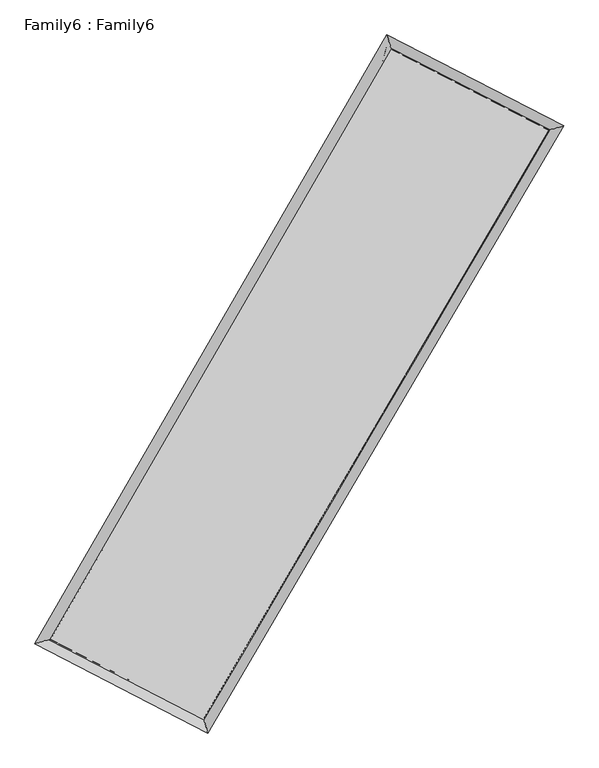
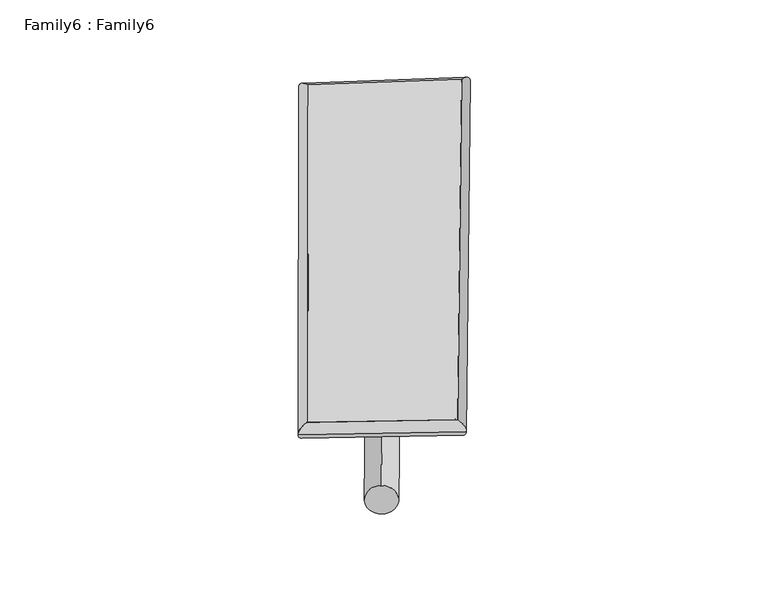
"""IFC4 building model written with IfcOpenShell, lengths in millimetres: plate geometry, Family6 : Family6."""

import ifcopenshell
import ifcopenshell.guid

model = None  # the IFC model being written
_history = None  # IfcOwnerHistory: only IFC2X3 demands one
_inside = {}  # id of a spatial element -> (the spatial element, [elements in it])
_under = {}  # id of a project, library or spatial element -> (it, [spatial elements below it])
_declared = {}  # id of a project -> (the project, [libraries it declares])
_typed = {}  # id of a type object -> (the type object, [elements of that type])
_made_of = {}  # id of a material, layer set ... -> (it, [elements and type objects made of it])


def new_model(schema):
    """Start an empty IFC model of exactly this schema.

    Asked for "IFC4X3", IfcOpenShell would pick the latest addendum, in which some entities
    have other attributes; the version numbers below select the first issue.
    IFC2X3 requires an IfcOwnerHistory on every rooted entity: one is made here for all.
    """
    global model, _history
    if schema == "IFC4X3":
        model = ifcopenshell.file(schema_version=(4, 3, 0, 0))
    else:
        model = ifcopenshell.file(schema=schema)
    _inside.clear()
    _under.clear()
    _declared.clear()
    _typed.clear()
    _made_of.clear()
    _history = None
    if model.schema == "IFC2X3":
        org = make("IfcOrganization", Name="unknown")
        user = make(
            "IfcPersonAndOrganization",
            ThePerson=make("IfcPerson", FamilyName="unknown"),
            TheOrganization=org,
        )
        app = make(
            "IfcApplication",
            ApplicationDeveloper=org,
            Version="unknown",
            ApplicationFullName="unknown",
            ApplicationIdentifier="unknown",
        )
        _history = make(
            "IfcOwnerHistory",
            OwningUser=user,
            OwningApplication=app,
            ChangeAction="ADDED",
            CreationDate=0,
        )
    return model


def make(cls, **values):
    """One entity of the class cls with the attributes given. An attribute that is None is left unset."""
    return model.create_entity(
        cls, **{name: value for name, value in values.items() if value is not None}
    )


def rooted(cls, **values):
    """An entity with a GlobalId (a new one), such as an element, a storey or a relation."""
    return make(cls, GlobalId=ifcopenshell.guid.new(), OwnerHistory=_history, **values)


def si_unit(unit_type, name, prefix=None):
    """IfcSIUnit, for example si_unit("LENGTHUNIT", "METRE", prefix="MILLI")."""
    return make("IfcSIUnit", UnitType=unit_type, Prefix=prefix, Name=name)


def assignment(units):
    """IfcUnitAssignment: the units of a project."""
    return None if units is None else make("IfcUnitAssignment", Units=units)


def point(xyz):
    """IfcCartesianPoint."""
    return None if xyz is None else make("IfcCartesianPoint", Coordinates=xyz)


def direction(xyz):
    """IfcDirection."""
    return None if xyz is None else make("IfcDirection", DirectionRatios=xyz)


def frame(location, z_axis=None, x_axis=None):
    """IfcAxis2Placement3D, a coordinate frame: its origin and axes. An axis left out is left unset."""
    return make(
        "IfcAxis2Placement3D",
        Location=point(location),
        Axis=direction(z_axis),
        RefDirection=direction(x_axis),
    )


def frame_2d(location, x_axis=None):
    """IfcAxis2Placement2D, a coordinate frame in the plane: its origin and x axis."""
    return make(
        "IfcAxis2Placement2D", Location=point(location), RefDirection=direction(x_axis)
    )


def origin():
    """The frame at (0, 0, 0) with its axes left unset."""
    return frame((0.0, 0.0, 0.0))


def origin_2d():
    """The frame at (0, 0) in the plane with its x axis left unset."""
    return frame_2d((0.0, 0.0))


def place(relative_to, where):
    """IfcLocalPlacement: puts the frame where relative to a parent placement (None: the world)."""
    return make(
        "IfcLocalPlacement", PlacementRelTo=relative_to, RelativePlacement=where
    )


def context(
    kind, dimensions, precision=None, world=None, true_north=None, identifier=None
):
    """IfcGeometricRepresentationContext, for example the 3D "Model" context."""
    return make(
        "IfcGeometricRepresentationContext",
        ContextIdentifier=identifier,
        ContextType=kind,
        CoordinateSpaceDimension=dimensions,
        Precision=precision,
        WorldCoordinateSystem=world,
        TrueNorth=true_north,
    )


def project(units=None, contexts=None):
    """IfcProject with its units and contexts."""
    return rooted(
        "IfcProject",
        Name="project",
        RepresentationContexts=contexts,
        UnitsInContext=assignment(units),
    )


def spatial(cls, under=None, at=None, **own):
    """A site, building, storey or space (cls), placed at a placement, below another one or the project."""
    s = rooted(cls, ObjectPlacement=at, **own)
    if under is not None:
        _under.setdefault(under.id(), (under, []))[1].append(s)
    return s


def circle_curve(where, radius):
    """IfcCircle in the frame where."""
    return make("IfcCircle", Position=where, Radius=radius)


def ellipse_curve(where, semi_axis1, semi_axis2):
    """IfcEllipse in the frame where."""
    return make(
        "IfcEllipse", Position=where, SemiAxis1=semi_axis1, SemiAxis2=semi_axis2
    )


def trimmed(basis, trim1, trim2, sense, master):
    """IfcTrimmedCurve: the piece of a basis curve between two trims."""
    return make(
        "IfcTrimmedCurve",
        BasisCurve=basis,
        Trim1=trim1,
        Trim2=trim2,
        SenseAgreement=sense,
        MasterRepresentation=master,
    )


def segment(curve, same_sense, transition):
    """IfcCompositeCurveSegment."""
    return make(
        "IfcCompositeCurveSegment",
        Transition=transition,
        SameSense=same_sense,
        ParentCurve=curve,
    )


def composite_curve(segments, self_intersect=None):
    """IfcCompositeCurve: segments joined end to end."""
    return make("IfcCompositeCurve", Segments=segments, SelfIntersect=self_intersect)


def outline(outer, holes=None, kind="AREA"):
    """IfcArbitraryClosedProfileDef: a profile drawn as a closed curve; with holes, ...WithVoids."""
    if holes is None:
        return make("IfcArbitraryClosedProfileDef", ProfileType=kind, OuterCurve=outer)
    return make(
        "IfcArbitraryProfileDefWithVoids",
        ProfileType=kind,
        OuterCurve=outer,
        InnerCurves=holes,
    )


def extrude(swept, where, along, depth):
    """IfcExtrudedAreaSolid: the profile swept, set in the frame where, extruded along a direction by depth."""
    return make(
        "IfcExtrudedAreaSolid",
        SweptArea=swept,
        Position=where,
        ExtrudedDirection=direction(along),
        Depth=depth,
    )


def shape(context_of_items, identifier, shape_type, items):
    """IfcShapeRepresentation: the items that make up one representation, for example the "Body"."""
    return make(
        "IfcShapeRepresentation",
        ContextOfItems=context_of_items,
        RepresentationIdentifier=identifier,
        RepresentationType=shape_type,
        Items=items,
    )


def source(mapping_origin, context_of_items, identifier, shape_type, items):
    """IfcRepresentationMap: a shape defined once, which mapped items show again and again."""
    return make(
        "IfcRepresentationMap",
        MappingOrigin=mapping_origin,
        MappedRepresentation=shape(context_of_items, identifier, shape_type, items),
    )


def transform(
    local_origin,
    x_axis=None,
    y_axis=None,
    z_axis=None,
    scale=None,
    scale2=None,
    scale3=None,
    uniform=True,
):
    """IfcCartesianTransformationOperator3D, or its non-uniform kind. x_axis, y_axis, z_axis: its Axis1, 2, 3."""
    if uniform:
        return make(
            "IfcCartesianTransformationOperator3D",
            Axis1=direction(x_axis),
            Axis2=direction(y_axis),
            LocalOrigin=point(local_origin),
            Scale=scale,
            Axis3=direction(z_axis),
        )
    return make(
        "IfcCartesianTransformationOperator3DnonUniform",
        Axis1=direction(x_axis),
        Axis2=direction(y_axis),
        LocalOrigin=point(local_origin),
        Scale=scale,
        Axis3=direction(z_axis),
        Scale2=scale2,
        Scale3=scale3,
    )


def mapped(mapping_source, mapping_target):
    """IfcMappedItem: shows the shape of a source again, moved by a transform."""
    return make(
        "IfcMappedItem", MappingSource=mapping_source, MappingTarget=mapping_target
    )


def made_of(thing, what):
    """Note that an element or type object is made of a material, layer set ...; save() writes the relation."""
    if what is not None:
        _made_of.setdefault(what.id(), (what, []))[1].append(thing)
    return thing


def element(
    cls,
    number,
    at=None,
    inside=None,
    cuts=None,
    type_object=None,
    material=None,
    context=None,
    identifier="Body",
    shape_type=None,
    held_by="IfcProductDefinitionShape",
    body=None,
    shapes=None,
    **own,
):
    """One element of the class cls, such as IfcWall. Its Tag is "e" and its number.

    at: its placement. inside: the storey or other place that contains it. cuts: it is an
    opening in that element (IfcRelVoidsElement). A single representation is given by context,
    identifier, shape_type and body (its items); several are given by shapes. held_by: the class
    of the entity that holds the representations. save() writes the other relations.
    """
    e = rooted(cls, Tag="e%d" % number, ObjectPlacement=at, **own)
    if body is not None:
        shapes = [shape(context, identifier, shape_type, body)]
    if shapes is not None:
        e.Representation = make(held_by, Representations=shapes)
    if inside is not None:
        _inside.setdefault(inside.id(), (inside, []))[1].append(e)
    if cuts is not None:
        rooted(
            "IfcRelVoidsElement", RelatingBuildingElement=cuts, RelatedOpeningElement=e
        )
    if type_object is not None:
        _typed.setdefault(type_object.id(), (type_object, []))[1].append(e)
    return made_of(e, material)


def aggregate(whole, parts):
    """IfcRelAggregates: a whole, such as a stair, and the parts it consists of."""
    return rooted("IfcRelAggregates", RelatingObject=whole, RelatedObjects=parts)


def save(model, path):
    """Write the relations noted so far, then the file.

    IfcRelAggregates (storeys below a building ...), IfcRelContainedInSpatialStructure (elements
    in a storey), IfcRelDefinesByType, IfcRelAssociatesMaterial and IfcRelDeclares: one each for
    every whole, place, type object, material and project.
    """
    for whole, parts in _under.values():
        aggregate(whole, parts)
    for where, things in _inside.values():
        rooted(
            "IfcRelContainedInSpatialStructure",
            RelatedElements=things,
            RelatingStructure=where,
        )
    for kind, things in _typed.values():
        rooted("IfcRelDefinesByType", RelatedObjects=things, RelatingType=kind)
    for what, things in _made_of.values():
        rooted("IfcRelAssociatesMaterial", RelatedObjects=things, RelatingMaterial=what)
    for by, libraries in _declared.values():
        rooted("IfcRelDeclares", RelatingContext=by, RelatedDefinitions=libraries)
    model.write(path)


def plane_surface(at):
    """IfcPlane: the flat surface through the origin of the frame at, square to its z axis."""
    return make("IfcPlane", Position=at)


def cylinder_surface(at, radius):
    """IfcCylindricalSurface: all points at the distance radius from the z axis of the frame at."""
    return make("IfcCylindricalSurface", Position=at, Radius=radius)


def spline_surface(u_degree, v_degree, points, u_multiplicities, v_multiplicities, u_knots, v_knots, weights=None):
    """IfcBSplineSurfaceWithKnots; with weights, IfcRationalBSplineSurfaceWithKnots. points: one row for each step in u."""
    own = dict(
        UDegree=u_degree,
        VDegree=v_degree,
        ControlPointsList=[[point(p) for p in row] for row in points],
        SurfaceForm="UNSPECIFIED",
        UClosed=False,
        VClosed=False,
        SelfIntersect=False,
        UMultiplicities=u_multiplicities,
        VMultiplicities=v_multiplicities,
        UKnots=u_knots,
        VKnots=v_knots,
        KnotSpec="UNSPECIFIED",
    )
    if weights is None:
        return make("IfcBSplineSurfaceWithKnots", **own)
    return make("IfcRationalBSplineSurfaceWithKnots", WeightsData=weights, **own)


def advanced_brep(points, edges, surfaces, faces):
    """IfcAdvancedBrep: a solid bounded by faces that lie on surfaces and meet in shared edges.

    An edge is (start, end): straight between two places in points (the first is 0);
    or (start, end, curve); or (start, end, curve, False) where it runs against its curve.
    A face is (place in surfaces, loops), or (place, loops, False) where it looks against
    its surface's normal. A loop lists edges by number (the first is 1), with a minus sign
    where the edge is run from its end to its start. The first loop is the outer one.
    """
    corners = [point(p) for p in points]
    vertices = [make("IfcVertexPoint", VertexGeometry=c) for c in corners]
    made = []
    for start, end, *more in edges:
        made.append(
            make(
                "IfcEdgeCurve",
                EdgeStart=vertices[start],
                EdgeEnd=vertices[end],
                EdgeGeometry=more[0] if more else make("IfcPolyline", Points=[corners[start], corners[end]]),
                SameSense=more[1] if len(more) > 1 else True,
            )
        )
    hull = []
    for where, loops, *sense in faces:
        bounds = []
        for j, loop in enumerate(loops):
            ring = [make("IfcOrientedEdge", EdgeElement=made[abs(k) - 1], Orientation=k > 0) for k in loop]
            bounds.append(
                make(
                    "IfcFaceOuterBound" if j == 0 else "IfcFaceBound",
                    Bound=make("IfcEdgeLoop", EdgeList=ring),
                    Orientation=True,
                )
            )
        hull.append(make("IfcAdvancedFace", Bounds=bounds, FaceSurface=surfaces[where], SameSense=sense[0] if sense else True))
    return make("IfcAdvancedBrep", Outer=make("IfcClosedShell", CfsFaces=hull))


def family6_family6_d279ef26(model_context):
    return source(origin(), model_context, "Body", "SolidModel", [
        extrude(outline(composite_curve([segment(trimmed(circle_curve(origin_2d(), 76.2), [point((-75.4341514, -10.7763074))], [point((75.4341514, 10.7763074))], False, "CARTESIAN"), True, "CONTINUOUS"), segment(trimmed(circle_curve(origin_2d(), 76.2), [point((75.4341514, 10.7763074))], [point((-75.4341514, -10.7763074))], False, "CARTESIAN"), True, "CONTINUOUS")], self_intersect=False)), frame((9144.0, 9144.0, 0.0), z_axis=(0.6768068351328579, 0.6845463218249724, 0.2707929858643794), x_axis=(-0.6765454162998558, 0.7233976741658524, -0.1377755591354652)), (0.0, 0.0, 1.0), 5672.5282372),
        extrude(outline(composite_curve([segment(trimmed(circle_curve(origin_2d(), 76.2), [point((-53.8815367, 53.8815367))], [point((53.8815367, -53.8815367))], False, "CARTESIAN"), True, "CONTINUOUS"), segment(trimmed(circle_curve(origin_2d(), 76.2), [point((53.8815367, -53.8815367))], [point((-53.8815367, 53.8815367))], False, "CARTESIAN"), True, "CONTINUOUS")], self_intersect=False)), frame((9144.0, 9144.0, 0.0), z_axis=(-0.672930450026797, -0.688104211448664, 0.2714354501780212), x_axis=(0.640988757577938, -0.35930209887544573, 0.6782591056538724)), (0.0, 0.0, 1.0), 5659.3679376),
        extrude(outline(composite_curve([segment(trimmed(circle_curve(origin_2d(), 76.2), [point((-53.8815368, -53.8815367))], [point((53.8815368, 53.8815367))], False, "CARTESIAN"), True, "CONTINUOUS"), segment(trimmed(circle_curve(origin_2d(), 76.2), [point((53.8815368, 53.8815367))], [point((-53.8815368, -53.8815367))], False, "CARTESIAN"), True, "CONTINUOUS")], self_intersect=False)), frame((9144.0, 9144.0, 0.0), z_axis=(0.25522785574882606, 0.9275744744683375, 0.27288154200063464), x_axis=(-0.8434281882637659, 0.3515813670350559, -0.40622584063038497)), (0.0, 0.0, 1.0), 5531.7302917),
        extrude(outline(composite_curve([segment(trimmed(circle_curve(origin_2d(), 76.2), [point((-75.4341514, 10.7763074))], [point((75.4341514, -10.7763074))], False, "CARTESIAN"), True, "CONTINUOUS"), segment(trimmed(circle_curve(origin_2d(), 76.2), [point((75.4341514, -10.7763074))], [point((-75.4341514, 10.7763074))], False, "CARTESIAN"), True, "CONTINUOUS")], self_intersect=False)), frame((9144.0, 9144.0, 0.0), z_axis=(-0.2606199462112304, -0.9260410780837496, 0.27299297671980904), x_axis=(0.8826917001135453, -0.11401926551267179, 0.45591114226635215)), (0.0, 0.0, 1.0), 5528.0587034),
        advanced_brep(
        [(5123.7814338, 5187.8325756, 1534.2605287), (5123.7613817, 5187.8009723, 1538.7579274), (5547.49654, 5311.6976004, 1538.0456391), (10615.1438494, 14073.2511188, 1512.1784), (10496.5594724, 14476.9325176, 1506.8357839), (5547.5165921, 5311.7292037, 1533.5482403), (12770.2431198, 12965.24296, 1535.7716213), (13196.1686471, 13088.9737204, 1536.3900962), (7644.9386899, 4226.5599588, 1509.6014828), (7761.6165862, 3823.0211583, 1508.6409191)],
        [
            (0, 1, ellipse_curve(frame((5335.6389869, 5249.765088, 1536.1530839), z_axis=(-0.28062850251993654, 0.9598007433978392, 0.005493318338970345), x_axis=(-0.9597647568423242, -0.28066819533855103, 0.008773576739004488)), 220.7689891, 152.4)),
            (1, 2, ellipse_curve(frame((5335.6389869, 5249.765088, 1536.1530839), z_axis=(-0.28062850251993654, 0.9598007433978392, 0.005493318338970345), x_axis=(-0.9597647568423242, -0.28066819533855103, 0.008773576739004488)), 220.7689891, 152.4)),
            (2, 3),
            (3, 4, ellipse_curve(frame((10555.8516609, 14275.0918182, 1509.5070919), z_axis=(-0.9594295052852507, -0.28190505862474213, -0.004956037719760427), x_axis=(0.28185492968330567, -0.959415619142629, 0.008914502699782188)), 210.3875975, 152.4)),
            (4, 0),
            (2, 5, ellipse_curve(frame((5335.6389869, 5249.765088, 1536.1530839), z_axis=(-0.28062850251993654, 0.9598007433978392, 0.005493318338970345), x_axis=(-0.9597647568423242, -0.28066819533855103, 0.008773576739004488)), 220.7689891, 152.4)),
            (5, 0, ellipse_curve(frame((5335.6389869, 5249.765088, 1536.1530839), z_axis=(-0.28062850251993654, 0.9598007433978392, 0.005493318338970345), x_axis=(-0.9597647568423242, -0.28066819533855103, 0.008773576739004488)), 220.7689891, 152.4)),
            (4, 3, ellipse_curve(frame((10555.8516609, 14275.0918182, 1509.5070919), z_axis=(-0.9594295052852507, -0.28190505862474213, -0.004956037719760427), x_axis=(0.28185492968330567, -0.959415619142629, 0.008914502699782188)), 210.3875975, 152.4)),
            (3, 6),
            (6, 7, ellipse_curve(frame((12983.2058834, 13027.1083402, 1536.0808587), z_axis=(-0.2789553177863782, 0.9602899807390433, -0.005204187824112773), x_axis=(-0.9602561586505869, -0.2789914412629268, -0.008478530276735844)), 221.773123, 152.4)),
            (7, 4),
            (7, 6, ellipse_curve(frame((12983.2058834, 13027.1083402, 1536.0808587), z_axis=(-0.2789553177863782, 0.9602899807390433, -0.005204187824112773), x_axis=(-0.9602561586505869, -0.2789914412629268, -0.008478530276735844)), 221.773123, 152.4)),
            (6, 8),
            (8, 9, ellipse_curve(frame((7703.2776381, 4024.7905585, 1509.1212009), z_axis=(0.9606343377970638, 0.2777670834795057, -0.0052073390984070265), x_axis=(-0.27771273376531946, 0.9606196830575425, 0.00924456743278236)), 210.0392237, 152.4)),
            (9, 7),
            (9, 8, ellipse_curve(frame((7703.2776381, 4024.7905585, 1509.1212009), z_axis=(0.9606343377970638, 0.2777670834795057, -0.0052073390984070265), x_axis=(-0.27771273376531946, 0.9606196830575425, 0.00924456743278236)), 210.0392237, 152.4)),
            (8, 5),
            (1, 9),
        ],
        [
            cylinder_surface(frame((5335.6389869, 5249.765088, 1536.1530839), z_axis=(-0.5006771109938477, -0.8656303478842617, 0.0025556503333502047), x_axis=(-0.8655538500962866, 0.5005882960731965, -0.015096039812775354)), 152.4),
            cylinder_surface(frame((10555.8516609, 14275.0918182, 1509.5070919), z_axis=(-0.8893008000380218, 0.45721909688772694, -0.0097357327873077), x_axis=(0.4572967021534184, 0.8892758030024859, -0.008262711049755674)), 152.4),
            cylinder_surface(frame((12983.2058834, 13027.1083402, 1536.0808587), z_axis=(0.5059108757116543, 0.8625818876156377, 0.0025832139111673516), x_axis=(0.8625854702737507, -0.5059108757116543, -0.0007016475466870364)), 152.4),
            cylinder_surface(frame((7703.2776381, 4024.7905585, 1509.1212009), z_axis=(0.8881208725250973, -0.45949809417814, -0.010139883229964342), x_axis=(-0.45945389051657765, -0.8881780954468448, 0.006464770498355625)), 152.4),
        ],
        [
            (0, [[1, 2, 3, 4, 5]]),
            (0, [[6, 7, -5, 8, -3]]),
            (1, [[-4, 9, 10, 11]]),
            (1, [[-8, -11, 12, -9]]),
            (2, [[-10, 13, 14, 15]]),
            (2, [[-12, -15, 16, -13]]),
            (3, [[-14, 17, -6, -2, 18]]),
            (3, [[-16, -18, -1, -7, -17]]),
        ],
    ),
        extrude(outline(composite_curve([segment(trimmed(circle_curve(origin_2d(), 304.8), [point((0.0, 304.8))], [point((1e-07, -304.8))], False, "CARTESIAN"), True, "CONTINUOUS"), segment(trimmed(circle_curve(origin_2d(), 304.8), [point((1e-07, -304.8))], [point((0.0, 304.8))], False, "CARTESIAN"), True, "CONTINUOUS")], self_intersect=False)), frame((11794.4330768, 13667.1545585, -0.0064739), z_axis=(-0.5055674025021014, -0.8627871125171919, 1.2348822854343767e-06), x_axis=(-0.8627871125180104, 0.5055674025021014, -3.3515167957076705e-07)), (0.0, 0.0, 1.0), 10484.9840542),
        advanced_brep(
        [(5335.6389869, 5249.765088, 1536.1530839), (7703.2776381, 4024.7905585, 1509.1212009), (7703.2723603, 4024.7908304, 1661.5212008), (5335.6337091, 5249.7653598, 1688.5530838), (12983.2058834, 13027.1083402, 1536.0808587), (12983.2006057, 13027.108612, 1688.4808587), (10555.8516609, 14275.0918182, 1509.5070919), (10555.8463832, 14275.09209, 1661.9070918)],
        [
            (0, 1),
            (1, 2),
            (2, 3),
            (3, 0),
            (1, 4),
            (4, 5),
            (5, 2),
            (4, 6),
            (6, 7),
            (7, 5),
            (6, 0),
            (3, 7),
        ],
        [
            plane_surface(frame((6519.4583125, 4637.2778233, 1522.6371424), z_axis=(-0.45952184717138883, -0.888166466247661, -1.432959933220148e-05), x_axis=(0.8881208725250969, -0.45949809417814064, -0.010139883229964331))),
            plane_surface(frame((10343.2417607, 8525.9494494, 1522.6010298), z_axis=(0.8625847250047789, -0.5059126320239102, 3.077449948108357e-05), x_axis=(0.5059108757116548, 0.8625818876156373, 0.0025832139111673573))),
            plane_surface(frame((11769.5287722, 13651.1000792, 1522.7939753), z_axis=(0.45724064364680167, 0.8893430123380063, 1.4248500536655218e-05), x_axis=(-0.8893008000380215, 0.4572190968877276, -0.0097357327873077))),
            plane_surface(frame((7945.7453239, 9762.4284531, 1522.8300879), z_axis=(-0.8656332138535057, 0.500678677517476, -3.0870736605549025e-05), x_axis=(-0.500677110993848, -0.8656303478842615, 0.002555650333350201))),
            spline_surface(1, 1, [[(7703.2723603, 4024.7908304, 1661.5212008), (5335.6337091, 5249.7653598, 1688.5530838)], [(12983.2006057, 13027.108612, 1688.4808587), (10555.8463832, 14275.09209, 1661.9070918)]], [2, 2], [2, 2], [0.0, 1.0], [0.0, 1.0]),
            spline_surface(1, 1, [[(10555.8516609, 14275.0918182, 1509.5070919), (5335.6389869, 5249.765088, 1536.1530839)], [(12983.2058834, 13027.1083402, 1536.0808587), (7703.2776381, 4024.7905585, 1509.1212009)]], [2, 2], [2, 2], [0.0, 1.0], [0.0, 1.0]),
        ],
        [
            (0, [[1, 2, 3, 4]]),
            (1, [[5, 6, 7, -2]]),
            (2, [[8, 9, 10, -6]]),
            (3, [[11, -4, 12, -9]]),
            (4, [[-3, -7, -10, -12]]),
            (5, [[-11, -8, -5, -1]]),
        ],
    ),
    ])


if __name__ == "__main__":
    model = new_model("IFC4")
    model_context = context("Model", 3, world=origin())
    ifc_project = project(units=[si_unit("LENGTHUNIT", "METRE", prefix="MILLI")], contexts=[model_context])
    site = spatial("IfcSite", under=ifc_project)
    building = spatial("IfcBuilding", under=site)
    placement = place(None, origin())
    family6_family6_shape = family6_family6_d279ef26(model_context)
    element("IfcPlate", 1, ObjectType="Family6 : Family6", at=placement, inside=building, context=model_context, shape_type="MappedRepresentation", body=[
        mapped(family6_family6_shape, transform((0.0, 0.0, 0.0), x_axis=(1.0, 0.0, 0.0), y_axis=(0.0, 1.0, 0.0), z_axis=(0.0, 0.0, 1.0))),
    ])
    save(model, "model.ifc")
